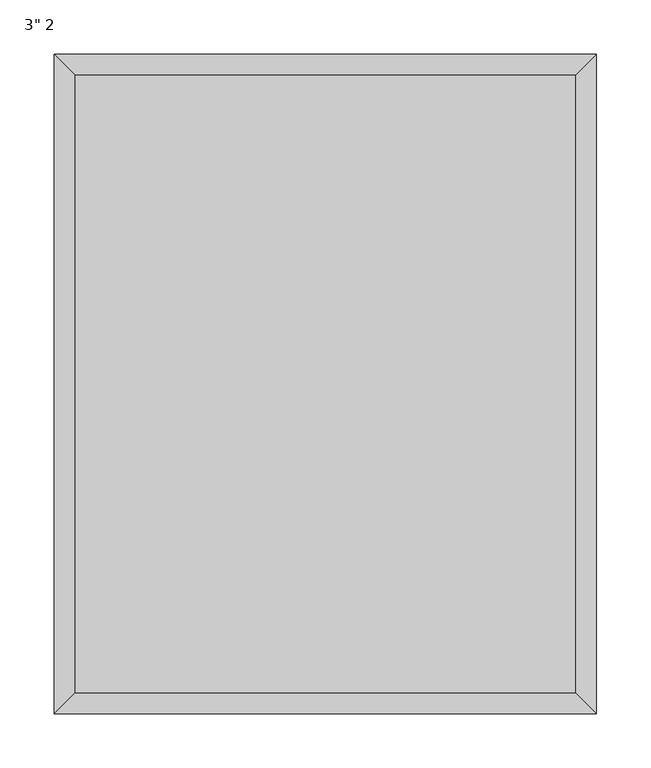
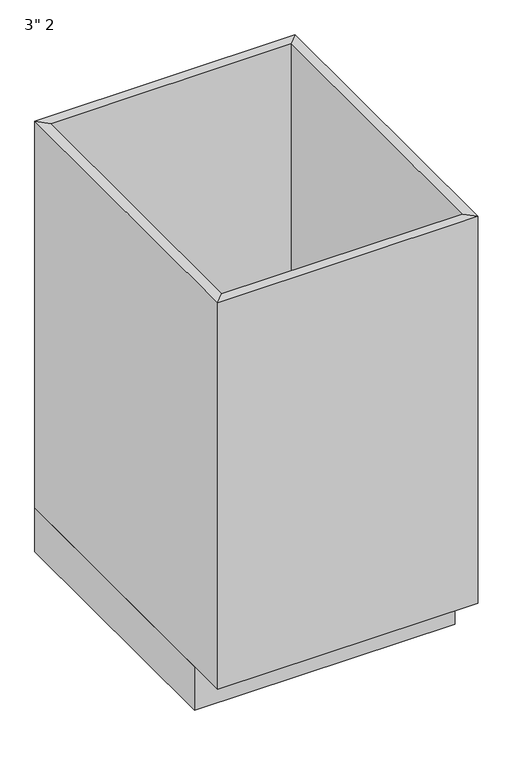
"""IFC4 building model written with IfcOpenShell, lengths in millimetres: furniture geometry."""

from ifc_helpers import new_model, si_unit, frame, origin, origin_with_axes, place, context, project, spatial, polyline, outline, extrude, faceted_brep, source, transform, mapped, element, save


def furniture_20ff05c8(model_context):
    return source(origin(), model_context, "Body", "SolidModel", [
        extrude(outline(polyline([(250.5127049, -19.05), (250.5127049, -590.55), (-213.0372951, -590.55), (-213.0372951, -19.05), (250.5127049, -19.05)])), frame((0.0, 0.0, 88.9), z_axis=(0.0, 0.0, 1.0), x_axis=(1.0, 0.0, 0.0)), (0.0, 0.0, 1.0), 19.05),
        faceted_brep([(250.5127049, -590.55, 876.3), (250.5127049, -590.55, 88.9), (-213.0372951, -590.55, 88.9), (-213.0372951, -590.55, 876.3), (269.5627049, -609.6, 876.3), (-232.0872951, -609.6, 876.3), (269.5627049, -609.6, 88.9), (-232.0872951, -609.6, 88.9), (-213.0372951, -19.05, 88.9), (-213.0372951, -19.05, 876.3), (-232.0872951, 0.0, 876.3), (-232.0872951, 0.0, 88.9), (250.5127049, -19.05, 88.9), (250.5127049, -19.05, 876.3), (269.5627049, 0.0, 876.3), (269.5627049, 0.0, 88.9)], [[[0, 1, 2, 3]], [[4, 0, 3, 5]], [[6, 4, 5, 7]], [[1, 6, 7, 2]], [[3, 2, 8, 9]], [[5, 3, 9, 10]], [[7, 5, 10, 11]], [[2, 7, 11, 8]], [[9, 8, 12, 13]], [[10, 9, 13, 14]], [[11, 10, 14, 15]], [[8, 11, 15, 12]], [[13, 12, 1, 0]], [[14, 13, 0, 4]], [[15, 14, 4, 6]], [[12, 15, 6, 1]]]),
        extrude(outline(polyline([(269.5627049, 0.0), (269.5627049, -533.4), (-232.0872951, -533.4), (-232.0872951, 0.0), (269.5627049, 0.0)])), origin_with_axes(), (0.0, 0.0, 1.0), 88.9),
    ])


if __name__ == "__main__":
    model = new_model("IFC4")
    model_context = context("Model", 3, world=origin())
    ifc_project = project(units=[si_unit("LENGTHUNIT", "METRE", prefix="MILLI")], contexts=[model_context])
    site = spatial("IfcSite", under=ifc_project)
    building = spatial("IfcBuilding", under=site)
    placement = place(None, origin())
    furniture_shape = furniture_20ff05c8(model_context)
    element("IfcFurniture", 1, ObjectType="3\" 2", at=placement, inside=building, context=model_context, shape_type="MappedRepresentation", body=[
        mapped(furniture_shape, transform((0.0, 0.0, 0.0), x_axis=(1.0, 0.0, 0.0), y_axis=(0.0, 1.0, 0.0), z_axis=(0.0, 0.0, 1.0))),
    ])
    save(model, "model.ifc")
